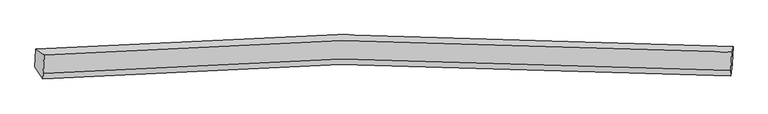
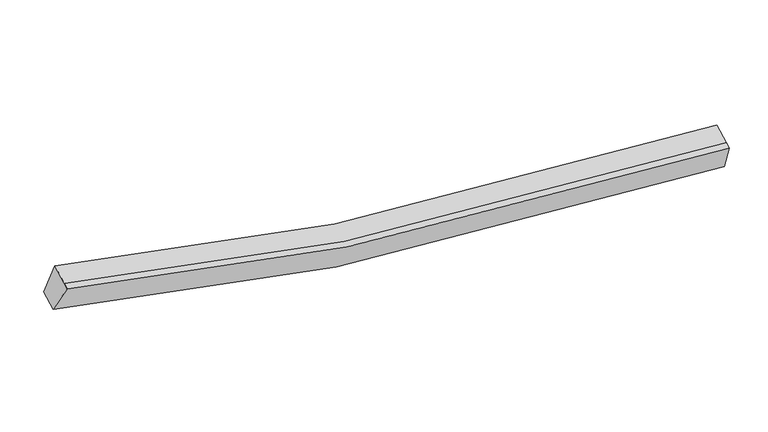
"""IFC4 building model written with IfcOpenShell, lengths in millimetres: proxy geometry."""

from ifc_helpers import new_model, si_unit, frame, origin, place, context, project, spatial, source, transform, mapped, element, save
from ifc_brep_helpers import plane_surface, spline_curve, spline_surface, advanced_brep


def generic_models_33b89782(model_context):
    return source(origin(), model_context, "Body", "AdvancedBrep", [
        advanced_brep(
        [(-7323.8182504, -1868.3497809, 4079.2544699), (-7133.1026291, -2003.6132729, 4755.2872005), (8817.1414548, -1941.9480096, 2716.9405603), (8847.0834491, -1807.1308158, 2015.0739672), (-7155.2097007, -2433.1695767, 4573.8825221), (8795.0343832, -2371.5043134, 2535.5358819), (-7161.8397337, -2561.9958879, 4519.4782558), (8788.4043502, -2500.3306247, 2481.1316156), (-7345.5809598, -2291.2148797, 3900.6755348), (8825.3207397, -2229.9959146, 1836.4950322)],
        [
            (0, 1),
            (1, 2, spline_curve(3, [(-7133.1026291, -2003.6132729, 4755.2872005), (-4854.212652321, -1815.926905147, 4065.471162704), (-2550.917771623, -1706.686844845, 3547.547654951), (2750.406524413, -1636.554230555, 2759.463878429), (5763.859672244, -1725.23920323, 2597.938507203), (8817.1414548, -1941.9480096, 2716.9405603)], [4, 2, 4], [0.0, 23.422575595769842, 53.344795534428954])),
            (2, 3),
            (3, 0, spline_curve(3, [(8847.0834491, -1807.1308158, 2015.0739672), (5751.628869854, -1587.742559414, 1894.866556319), (2696.516520989, -1497.834290145, 2058.572071208), (-2678.161422775, -1568.38203719, 2856.578177075), (-5013.349640998, -1678.696628063, 3380.932829832), (-7323.8182504, -1868.3497809, 4079.2544699)], [4, 2, 4], [0.0, 29.92221993865911, 53.344795534428954])),
            (1, 4),
            (4, 5, spline_curve(3, [(-7155.2097007, -2433.1695767, 4573.8825221), (-4876.319724004, -2245.483209192, 3884.06648469), (-2573.024843771, -2136.24314888, 3366.142975961), (2728.299453513, -2066.110534055, 2578.059200782), (5741.752600589, -2154.79550746, 2416.533829105), (8795.0343832, -2371.5043134, 2535.5358819)], [4, 2, 4], [0.0, 23.262072031090074, 52.97924949081044])),
            (5, 2),
            (4, 6),
            (6, 7, spline_curve(3, [(-7161.8397337, -2561.9958879, 4519.4782558), (-4882.949757004, -2374.309520392, 3829.66221839), (-2579.654876771, -2265.06946018, 3311.738709661), (2721.669420513, -2194.936845355, 2523.654934482), (5735.122567589, -2283.62181876, 2362.129562805), (8788.4043502, -2500.3306247, 2481.1316156)], [4, 2, 4], [0.0, 23.26207203109007, 52.97924949081043])),
            (7, 5),
            (6, 8),
            (8, 9, spline_curve(3, [(-7345.5809598, -2291.2148797, 3900.6755348), (-5035.112350398, -2101.561726863, 3202.353894732), (-2699.924132175, -1991.24713599, 2677.999242075), (2674.753811589, -1920.699388945, 1879.993136208), (5729.866160454, -2010.607658214, 1716.287621319), (8825.3207397, -2229.9959146, 1836.4950322)], [4, 2, 4], [0.0, 23.422575595769842, 53.344795534428954])),
            (9, 7),
            (8, 0),
            (3, 9),
        ],
        [
            spline_surface(3, 3, [[(-7323.8182504, -1868.3497809, 4079.2544699), (-5013.34964074, -1678.696628036, 3380.932829909), (-2678.161423006, -1568.3820371, 2856.57817731), (2696.516521285, -1497.834290259, 2058.572070908), (5751.628870037, -1587.742559495, 1894.866555932), (8847.0834491, -1807.1308158, 2015.0739672)], [(-7260.246376632, -1913.437611569, 4304.598713451), (-4960.303978008, -1724.440053751, 3609.11227424), (-2635.746872624, -1614.483639675, 3086.901336416), (2714.479855728, -1544.074270399, 2292.202673578), (5755.705803983, -1633.574774093, 2129.223872995), (8837.102784327, -1852.069880423, 2249.029498257)], [(-7196.674502868, -1958.525442231, 4529.942956949), (-4907.258315281, -1770.183479459, 3837.291718516), (-2593.332322198, -1660.585242207, 3317.224495488), (2732.443190215, -1590.314250496, 2525.833276215), (5759.782737948, -1679.406988623, 2363.581189988), (8827.122119573, -1897.008944977, 2482.985029243)], [(-7133.1026291, -2003.6132729, 4755.2872005), (-4854.212652549, -1815.926905174, 4065.471162847), (-2550.917771816, -1706.686844782, 3547.547654594), (2750.406524659, -1636.554230636, 2759.463878885), (5763.859671894, -1725.239203221, 2597.938507051), (8817.1414548, -1941.9480096, 2716.9405603)]], [4, 4], [4, 2, 4], [0.0, 2.3468496532538596], [0.0, 23.422575595769842, 53.344795534428954]),
            spline_surface(3, 3, [[(-7133.1026291, -2003.6132729, 4755.2872005), (-4854.212652549, -1815.926905174, 4065.471162847), (-2550.917771816, -1706.686844782, 3547.547654594), (2750.406524659, -1636.554230636, 2759.463878885), (5763.859671894, -1725.239203221, 2597.938507051), (8817.1414548, -1941.9480096, 2716.9405603)], [(-7140.471652956, -2146.798707503, 4694.818974366), (-4861.581676405, -1959.112339777, 4005.002936713), (-2558.286795672, -1849.872279385, 3487.07942846), (2743.037500803, -1779.739665239, 2698.995652751), (5756.490648038, -1868.424637824, 2537.470280917), (8809.772430944, -2085.133444203, 2656.472334166)], [(-7147.840676844, -2289.984142097, 4634.350748234), (-4868.950700293, -2102.297774371, 3944.534710581), (-2565.65581956, -1993.057713979, 3426.611202328), (2735.668476915, -1922.925099833, 2638.527426619), (5749.12162415, -2011.610072418, 2477.002054785), (8802.403407056, -2228.318878797, 2596.004108034)], [(-7155.2097007, -2433.1695767, 4573.8825221), (-4876.319724149, -2245.483208974, 3884.066484447), (-2573.024843416, -2136.243148582, 3366.142976194), (2728.299453059, -2066.110534436, 2578.059200485), (5741.752600294, -2154.795507021, 2416.533828651), (8795.0343832, -2371.5043134, 2535.5358819)]], [4, 4], [4, 2, 4], [0.0, 1.5315408966213715], [0.0, 23.262072031090074, 52.97924949081044]),
            spline_surface(3, 3, [[(-7155.2097007, -2433.1695767, 4573.8825221), (-4876.319724149, -2245.483208974, 3884.066484447), (-2573.024843416, -2136.243148582, 3366.142976194), (2728.299453059, -2066.110534436, 2578.059200485), (5741.752600294, -2154.795507021, 2416.533828651), (8795.0343832, -2371.5043134, 2535.5358819)], [(-7157.41971171, -2476.111680445, 4555.747766654), (-4878.529735159, -2288.425312719, 3865.931729001), (-2575.234854426, -2179.185252327, 3348.008220748), (2726.089442049, -2109.052638181, 2559.924445039), (5739.542589284, -2197.737610766, 2398.399073205), (8792.82437219, -2414.446417145, 2517.401126454)], [(-7159.62972269, -2519.053784155, 4537.613011246), (-4880.739746139, -2331.367416429, 3847.796973593), (-2577.444865406, -2222.127356137, 3329.87346534), (2723.879431069, -2151.994741991, 2541.789689631), (5737.332578304, -2240.679714576, 2380.264317797), (8790.61436121, -2457.388520955, 2499.266371046)], [(-7161.8397337, -2561.9958879, 4519.4782558), (-4882.949757149, -2374.309520174, 3829.662218147), (-2579.654876416, -2265.069459882, 3311.738709894), (2721.669420059, -2194.936845736, 2523.654934185), (5735.122567294, -2283.621818321, 2362.129562351), (8788.4043502, -2500.3306247, 2481.1316156)]], [4, 4], [4, 2, 4], [0.0, 0.45931758530183636], [0.0, 23.26207203109007, 52.97924949081043]),
            spline_surface(3, 3, [[(-7161.8397337, -2561.9958879, 4519.4782558), (-4882.949757149, -2374.309520174, 3829.662218147), (-2579.654876416, -2265.069459882, 3311.738709894), (2721.669420059, -2194.936845736, 2523.654934185), (5735.122567294, -2283.621818321, 2362.129562351), (8788.4043502, -2500.3306247, 2481.1316156)], [(-7223.086809064, -2471.735551836, 4313.210682155), (-4933.670621477, -2283.393589064, 3620.559443723), (-2619.744628393, -2173.795351912, 3100.492220694), (2706.03088402, -2103.524360201, 2309.101001421), (5733.370431753, -2192.617098327, 2146.848915195), (8800.709813378, -2410.219054682, 2266.25275445)], [(-7284.333884436, -2381.475215764, 4106.943108445), (-4984.391485813, -2192.477657946, 3411.456669233), (-2659.834380429, -2082.521243871, 2889.24573151), (2690.392347923, -2012.111874594, 2094.547068672), (5731.618296178, -2101.612378288, 1931.568268089), (8813.015276522, -2320.107484618, 2051.37389335)], [(-7345.5809598, -2291.2148797, 3900.6755348), (-5035.11235014, -2101.561726836, 3202.353894809), (-2699.924132406, -1991.2471359, 2677.99924231), (2674.753811885, -1920.699389059, 1879.993135908), (5729.866160637, -2010.607658295, 1716.287620932), (8825.3207397, -2229.9959146, 1836.4950322)]], [4, 4], [4, 2, 4], [0.0, 2.296572614607544], [0.0, 23.422575595769842, 53.344795534428954]),
            spline_surface(3, 3, [[(-7345.5809598, -2291.2148797, 3900.6755348), (-5035.11235014, -2101.561726836, 3202.353894809), (-2699.924132406, -1991.2471359, 2677.99924231), (2674.753811885, -1920.699389059, 1879.993135908), (5729.866160637, -2010.607658295, 1716.287620932), (8825.3207397, -2229.9959146, 1836.4950322)], [(-7338.326723339, -2150.259846748, 3960.201846474), (-5027.858113679, -1960.606693883, 3261.880206483), (-2692.669895945, -1850.292102948, 2737.525553984), (2682.008048346, -1779.744356107, 1939.519447582), (5737.120397098, -1869.652625342, 1775.813932606), (8832.574976161, -2089.040881648, 1896.021343874)], [(-7331.072486861, -2009.304813852, 4019.728158226), (-5020.603877202, -1819.651660988, 3321.406518236), (-2685.415659468, -1709.337070053, 2797.051865636), (2689.262284823, -1638.789323212, 1999.045759235), (5744.374633575, -1728.697592447, 1835.340244259), (8839.829212639, -1948.085848752, 1955.547655526)], [(-7323.8182504, -1868.3497809, 4079.2544699), (-5013.34964074, -1678.696628036, 3380.932829909), (-2678.161423006, -1568.3820371, 2856.57817731), (2696.516521285, -1497.834290259, 2058.572070908), (5751.628870037, -1587.742559495, 1894.866555932), (8847.0834491, -1807.1308158, 2015.0739672)]], [4, 4], [4, 2, 4], [0.0, 1.5076840612297855], [0.0, 23.58307948190408, 53.71034231015837]),
            plane_surface(frame((8819.4874984, -2119.8513412, 2262.4102938), z_axis=(0.9974848438668166, -0.06410582580276446, 0.030239532968260506), x_axis=(0.052737699332216025, 0.38619244293471033, -0.9209094049304011))),
            plane_surface(frame((-7241.0853933, -2181.2934553, 4313.6738652), z_axis=(-0.9637725919267739, -0.06013902166193949, 0.2598570551751348), x_axis=(-0.047357378782361834, -0.9201879373901093, -0.38860190240990894))),
        ],
        [
            (0, [[1, 2, 3, 4]]),
            (1, [[5, 6, 7, -2]]),
            (2, [[8, 9, 10, -6]]),
            (3, [[11, 12, 13, -9]]),
            (4, [[14, -4, 15, -12]]),
            (5, [[-13, -15, -3, -7, -10]]),
            (6, [[-14, -11, -8, -5, -1]]),
        ],
    ),
    ])


if __name__ == "__main__":
    model = new_model("IFC4")
    model_context = context("Model", 3, world=origin())
    ifc_project = project(units=[si_unit("LENGTHUNIT", "METRE", prefix="MILLI")], contexts=[model_context])
    site = spatial("IfcSite", under=ifc_project)
    building = spatial("IfcBuilding", under=site)
    placement = place(None, origin())
    generic_models_shape = generic_models_33b89782(model_context)
    element("IfcBuildingElementProxy", 1, Name="Generic Models", at=placement, inside=building, context=model_context, shape_type="MappedRepresentation", body=[
        mapped(generic_models_shape, transform((0.0, 0.0, 0.0), x_axis=(1.0, 0.0, 0.0), y_axis=(0.0, 1.0, 0.0), z_axis=(0.0, 0.0, 1.0))),
    ])
    save(model, "model.ifc")
